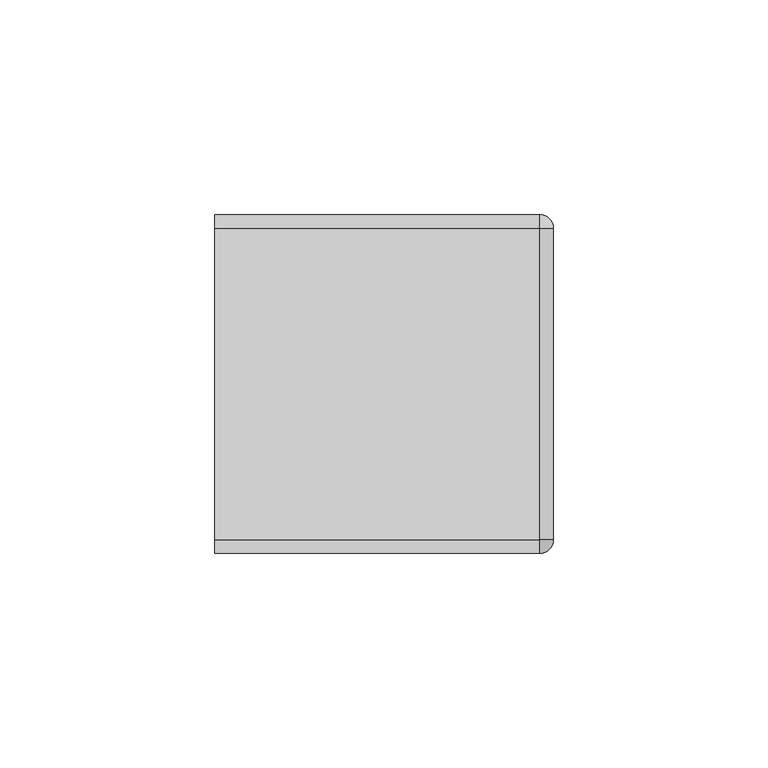
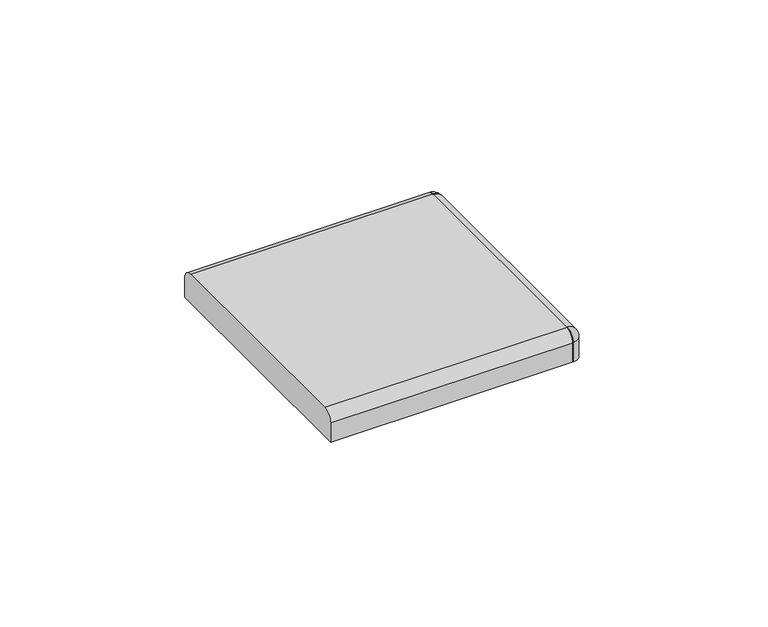
"""IFC4 building model written with IfcOpenShell, lengths in millimetres: furniture geometry."""

from ifc_helpers import new_model, si_unit, point, frame, origin, place, context, project, spatial, circle_curve, ellipse_curve, trimmed, source, transform, mapped, element, save
from ifc_brep_helpers import plane_surface, cylinder_surface, revolved_surface, advanced_brep


def furniture_2bec42bc(model_context):
    return source(origin(), model_context, "Body", "AdvancedBrep", [
        advanced_brep(
        [(36.3140655, 39.4890595, 1150.3421875), (36.3140655, 36.3140625, 1150.3421875), (36.3140655, 36.3140625, 1159.8671875), (36.3140655, 39.4890595, 1156.6921883), (39.4890625, 36.3140625, 1150.3421875), (39.4890625, 36.3140625, 1156.6921883)],
        [
            (0, 1),
            (1, 2),
            (2, 3, circle_curve(frame((36.3140655, 36.3140625, 1156.6921905), z_axis=(-1.0, 0.0, 0.0), x_axis=(0.0, -1.0, 0.0)), 3.174997)),
            (3, 0),
            (1, 4),
            (4, 5),
            (5, 2, circle_curve(frame((36.3140655, 36.3140625, 1156.6921905), z_axis=(0.0, -1.0, 0.0), x_axis=(-1.0, 0.0, 0.0)), 3.174997)),
            (0, 4, circle_curve(frame((36.3140655, 36.3140625, 1150.3421875), z_axis=(0.0, 0.0, -1.0), x_axis=(0.0, 1.0, 0.0)), 3.174997)),
            (5, 3, circle_curve(frame((36.3140655, 36.3140625, 1156.6921883), z_axis=(0.0, 0.0, 1.0), x_axis=(0.0, 1.0, 0.0)), 3.174997)),
        ],
        [
            plane_surface(frame((36.3140655, 36.3140625, 1150.3421875), z_axis=(-1.0, 0.0, 0.0), x_axis=(0.0, 1.0, 0.0))),
            plane_surface(frame((36.3140655, 36.3140625, 1150.3421875), z_axis=(0.0, -1.0, 0.0), x_axis=(1.0, 0.0, 0.0))),
            plane_surface(frame((36.3140655, 36.3140625, 1150.3421875), z_axis=(0.0, 0.0, -1.0), x_axis=(0.0, 1.0, 0.0))),
            revolved_surface(trimmed(ellipse_curve(frame((36.3140655, 36.3140625, 1156.6921905), z_axis=(-1.0, 0.0, 0.0), x_axis=(0.0, -1.0, 0.0)), 3.174997, 3.174997), [point((36.3140655, 36.3140625, 1159.8671875))], [point((36.3140655, 39.4890595, 1156.6921883))], True, "CARTESIAN"), (36.3140655, 36.3140625, 1150.3421875), (0.0, 0.0, -1.0)),
            cylinder_surface(frame((36.3140655, 36.3140625, 1150.3421875), z_axis=(0.0, 0.0, -1.0), x_axis=(0.0, 1.0, 0.0)), 3.174997),
        ],
        [
            (0, [[1, 2, 3, 4]]),
            (1, [[-2, 5, 6, 7]]),
            (2, [[-1, 8, -5]]),
            (3, [[-3, -7, 9]]),
            (4, [[-4, -9, -6, -8]]),
        ],
    ),
        advanced_brep(
        [(36.3140655, -39.4890595, 1150.3421875), (36.3140655, -39.4890595, 1156.6921883), (36.3140655, -36.3140625, 1159.8671852), (36.3140655, -36.3140625, 1150.3421875), (39.4890625, -36.3140625, 1156.6921883), (39.4890625, -36.3140625, 1150.3421875)],
        [
            (0, 1),
            (1, 2, circle_curve(frame((36.3140655, -36.3140625, 1156.6921883), z_axis=(-1.0, 0.0, 0.0), x_axis=(0.0, 1.0, 0.0)), 3.174997)),
            (2, 3),
            (3, 0),
            (2, 4, circle_curve(frame((36.3140655, -36.3140625, 1156.6921883), z_axis=(0.0, 1.0, 0.0), x_axis=(-1.0, 0.0, 0.0)), 3.174997)),
            (4, 5),
            (5, 3),
            (0, 5, circle_curve(frame((36.3140655, -36.3140625, 1150.3421875), z_axis=(0.0, 0.0, 1.0), x_axis=(0.0, -1.0, 0.0)), 3.174997)),
            (4, 1, circle_curve(frame((36.3140655, -36.3140625, 1156.6921883), z_axis=(0.0, 0.0, -1.0), x_axis=(0.0, -1.0, 0.0)), 3.174997)),
        ],
        [
            plane_surface(frame((36.3140655, -36.3140625, 1150.3421875), z_axis=(-1.0, 0.0, 0.0), x_axis=(0.0, -1.0, 0.0))),
            plane_surface(frame((36.3140655, -36.3140625, 1150.3421875), z_axis=(0.0, 1.0, 0.0), x_axis=(1.0, 0.0, 0.0))),
            cylinder_surface(frame((36.3140655, -36.3140625, 1150.3421875), z_axis=(0.0, 0.0, 1.0), x_axis=(0.0, -1.0, 0.0)), 3.174997),
            revolved_surface(trimmed(ellipse_curve(frame((36.3140655, -36.3140625, 1156.6921883), z_axis=(-1.0, 0.0, 0.0), x_axis=(0.0, 1.0, 0.0)), 3.174997, 3.174997), [point((36.3140655, -39.4890595, 1156.6921883))], [point((36.3140655, -36.3140625, 1159.8671852))], True, "CARTESIAN"), (36.3140655, -36.3140625, 1150.3421875), (0.0, 0.0, 1.0)),
            plane_surface(frame((36.3140655, -36.3140625, 1150.3421875), z_axis=(0.0, 0.0, -1.0), x_axis=(0.0, -1.0, 0.0))),
        ],
        [
            (0, [[1, 2, 3, 4]]),
            (1, [[-3, 5, 6, 7]]),
            (2, [[-1, 8, -6, 9]]),
            (3, [[-2, -9, -5]]),
            (4, [[-4, -7, -8]]),
        ],
    ),
        advanced_brep(
        [(39.4890625, -36.3140625, 1150.3421875), (39.4890625, -36.3140625, 1156.6921905), (36.3140655, -36.3140625, 1159.8671875), (36.3140655, -36.3140625, 1150.3421875), (39.4890625, 36.3140625, 1150.3421875), (39.4890625, 36.3140625, 1156.6921905), (36.3140655, 36.3140625, 1150.3421875), (36.3140655, 36.3140625, 1159.8671875), (36.3140655, -39.4890618, 1150.3421875), (-39.4890625, -39.4890618, 1150.3421875), (-39.4890625, 39.4890618, 1150.3421875), (36.3140655, 39.4890618, 1150.3421875), (36.3140655, 39.4890618, 1156.6921883), (36.3140655, -39.4890618, 1156.6921883), (-39.4890625, -39.4890618, 1156.6921883), (-39.4890625, -36.3140625, 1159.8671875), (-39.4890625, 36.3140625, 1159.8671875), (-39.4890625, 39.4890618, 1156.6921883)],
        [
            (0, 1),
            (1, 2, circle_curve(frame((36.3140655, -36.3140625, 1156.6921905), z_axis=(0.0, -1.0, 0.0), x_axis=(-1.0, 0.0, 0.0)), 3.174997)),
            (2, 3),
            (3, 0),
            (0, 4),
            (4, 5),
            (5, 1),
            (4, 6),
            (6, 7),
            (7, 5, circle_curve(frame((36.3140655, 36.3140625, 1156.6921905), z_axis=(0.0, 1.0, 0.0), x_axis=(-1.0, 0.0, 0.0)), 3.174997)),
            (3, 8),
            (8, 9),
            (9, 10),
            (10, 11),
            (11, 6),
            (7, 2),
            (11, 12),
            (12, 7, circle_curve(frame((36.3140655, 36.3140625, 1156.6921883), z_axis=(1.0, 0.0, 0.0), x_axis=(0.0, -1.0, 0.0)), 3.1749992)),
            (2, 13, circle_curve(frame((36.3140655, -36.3140625, 1156.6921883), z_axis=(1.0, 0.0, 0.0), x_axis=(0.0, -1.0, 0.0)), 3.1749992)),
            (13, 8),
            (9, 14),
            (14, 15, circle_curve(frame((-39.4890625, -36.3140625, 1156.6921883), z_axis=(-1.0, 0.0, 0.0), x_axis=(0.0, -1.0, 0.0)), 3.1749992)),
            (15, 16),
            (16, 17, circle_curve(frame((-39.4890625, 36.3140625, 1156.6921883), z_axis=(-1.0, 0.0, 0.0), x_axis=(0.0, -1.0, 0.0)), 3.1749992)),
            (17, 10),
            (17, 12),
            (16, 7),
            (15, 2),
            (14, 13),
        ],
        [
            plane_surface(frame((39.4890625, -36.3140625, 1159.8671875), z_axis=(0.0, -1.0, 0.0), x_axis=(0.0, 0.0, 1.0))),
            plane_surface(frame((39.4890625, -36.3140625, 1150.3421875), z_axis=(1.0, 0.0, 0.0), x_axis=(0.0, 1.0, 0.0))),
            plane_surface(frame((39.4890625, 36.3140625, 1159.8671875), z_axis=(0.0, 1.0, 0.0), x_axis=(0.0, 0.0, 1.0))),
            plane_surface(frame((36.3140655, -36.3140625, 1150.3421875), z_axis=(0.0, 0.0, -1.0), x_axis=(0.0, 1.0, 0.0))),
            cylinder_surface(frame((36.3140655, -36.3140625, 1156.6921905), z_axis=(0.0, -1.0, 0.0), x_axis=(-1.0, 0.0, 0.0)), 3.174997),
            plane_surface(frame((36.3140655, 0.0, 1159.8671875), z_axis=(1.0, 0.0, 0.0), x_axis=(0.0, 0.0, 1.0))),
            plane_surface(frame((-39.4890625, 0.0, 1159.8671875), z_axis=(-1.0, 0.0, 0.0), x_axis=(0.0, 0.0, 1.0))),
            plane_surface(frame((36.3140655, 39.4890618, 1150.3421875), z_axis=(0.0, 1.0, 0.0), x_axis=(-1.0, 0.0, 0.0))),
            cylinder_surface(frame((36.3140655, 36.3140625, 1156.6921883), z_axis=(1.0, 0.0, 0.0), x_axis=(0.0, -1.0, 0.0)), 3.1749992),
            plane_surface(frame((36.3140655, 36.3140625, 1159.8671875), z_axis=(0.0, 0.0, 1.0), x_axis=(-1.0, 0.0, 0.0))),
            cylinder_surface(frame((36.3140655, -36.3140625, 1156.6921883), z_axis=(1.0, 0.0, 0.0), x_axis=(0.0, -1.0, 0.0)), 3.1749992),
            plane_surface(frame((36.3140655, -39.4890618, 1156.6921883), z_axis=(0.0, -1.0, 0.0), x_axis=(-1.0, 0.0, 0.0))),
        ],
        [
            (0, [[1, 2, 3, 4]]),
            (1, [[-1, 5, 6, 7]]),
            (2, [[-6, 8, 9, 10]]),
            (3, [[-4, 11, 12, 13, 14, 15, -8, -5]]),
            (4, [[-2, -7, -10, 16]]),
            (5, [[17, 18, -9, -15]]),
            (5, [[19, 20, -11, -3]]),
            (6, [[-13, 21, 22, 23, 24, 25]]),
            (7, [[-17, -14, -25, 26]]),
            (8, [[-18, -26, -24, 27]]),
            (9, [[-23, 28, -16, -27]]),
            (10, [[-19, -28, -22, 29]]),
            (11, [[-20, -29, -21, -12]]),
        ],
    ),
    ])


if __name__ == "__main__":
    model = new_model("IFC4")
    model_context = context("Model", 3, world=origin())
    ifc_project = project(units=[si_unit("LENGTHUNIT", "METRE", prefix="MILLI")], contexts=[model_context])
    site = spatial("IfcSite", under=ifc_project)
    building = spatial("IfcBuilding", under=site)
    placement = place(None, origin())
    furniture_shape = furniture_2bec42bc(model_context)
    element("IfcFurniture", 1, at=placement, inside=building, context=model_context, shape_type="MappedRepresentation", body=[
        mapped(furniture_shape, transform((0.0, 0.0, 0.0), x_axis=(1.0, 0.0, 0.0), y_axis=(0.0, 1.0, 0.0), z_axis=(0.0, 0.0, 1.0))),
    ])
    save(model, "model.ifc")
